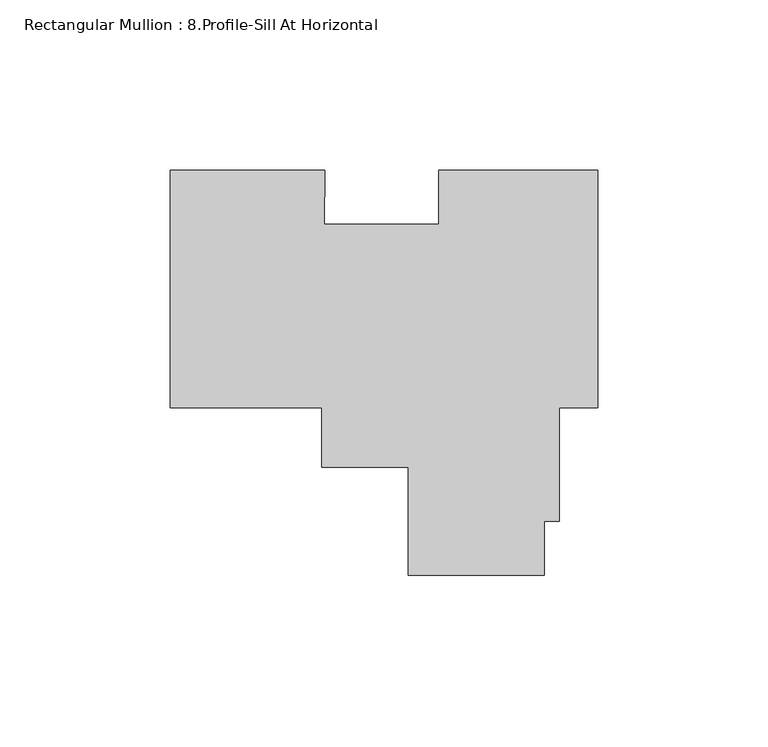
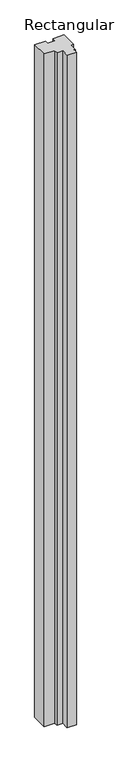
"""IFC4 building model written with IfcOpenShell, lengths in millimetres: member geometry, Rectangular Mullion : 8.Profile-Sill At Horizontal."""

from ifc_helpers import new_model, si_unit, frame, origin, place, context, project, spatial, polyline, outline, extrude, source, transform, mapped, element, save


def rectangular_mullion_8_profile_sill_at_horizontal_871cbccf(model_context):
    return source(origin(), model_context, "Body", "SweptSolid", [
        extrude(outline(polyline([(-80.2812185, 34.925), (-80.4752677, 19.05), (-46.8503, 19.05), (-46.8503, 34.925), (0.0, 34.925), (0.0, -34.925), (-11.2966018, -34.925), (-11.2966018, -68.2742795), (-15.7416018, -68.2742795), (-15.7416018, -84.14837), (-55.7466018, -84.14837), (-55.7466018, -52.4002), (-81.1385794, -52.4002), (-81.1385794, -34.925), (-125.7808, -34.925), (-125.7808, 34.925), (-80.2812185, 34.925)])), frame((0.0, 0.0, -3048.0), z_axis=(0.0, 0.0, 1.0), x_axis=(1.0, 0.0, 0.0)), (0.0, 0.0, 1.0), 3048.0),
    ])


if __name__ == "__main__":
    model = new_model("IFC4")
    model_context = context("Model", 3, world=origin())
    ifc_project = project(units=[si_unit("LENGTHUNIT", "METRE", prefix="MILLI")], contexts=[model_context])
    site = spatial("IfcSite", under=ifc_project)
    building = spatial("IfcBuilding", under=site)
    placement = place(None, origin())
    rectangular_mullion_8_profile_sill_at_horizontal_shape = rectangular_mullion_8_profile_sill_at_horizontal_871cbccf(model_context)
    element("IfcMember", 1, ObjectType="Rectangular Mullion : 8.Profile-Sill At Horizontal", at=placement, inside=building, context=model_context, shape_type="MappedRepresentation", body=[
        mapped(rectangular_mullion_8_profile_sill_at_horizontal_shape, transform((0.0, 0.0, 0.0), x_axis=(1.0, 0.0, 0.0), y_axis=(0.0, 1.0, 0.0), z_axis=(0.0, 0.0, 1.0))),
    ])
    save(model, "model.ifc")
